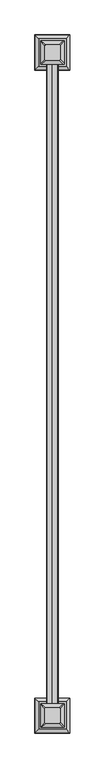
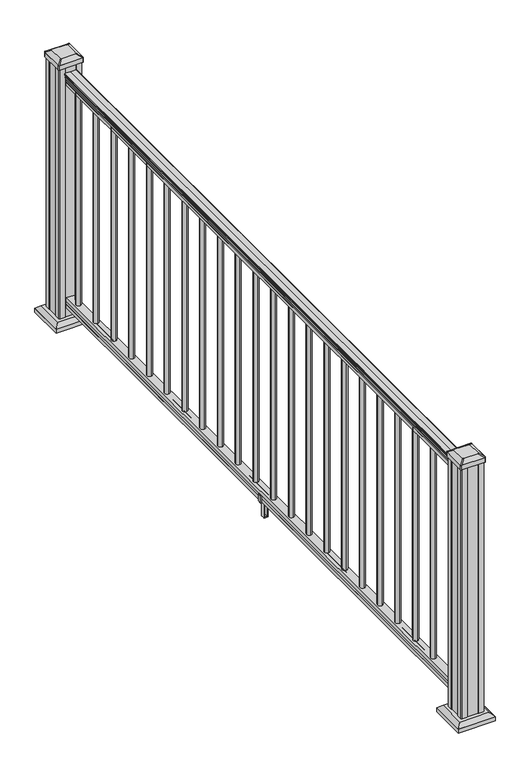
"""IFC4 building model written with IfcOpenShell, lengths in millimetres: railing geometry."""

from ifc_helpers import new_model, si_unit, point, frame, frame_2d, origin, origin_with_axes, place, context, project, spatial, polyline, circle_curve, trimmed, segment, composite_curve, outline, extrude, faceted_brep, source, transform, mapped, element, save
from ifc_brep_helpers import plane_surface, extruded_surface, advanced_brep


def railing_a8d5d606(model_context):
    return source(origin(), model_context, "Body", "SolidModel", [
        extrude(outline(composite_curve([segment(trimmed(circle_curve(frame_2d((938.4043297, 953.2427824)), 1.2869144), [point((938.4043297, 951.9558681))], [point((938.4043297, 954.5296968))], False, "CARTESIAN"), True, "CONTINUOUS"), segment(polyline([(938.4043297, 954.5296968), (927.747013, 954.5296968), (926.731013, 953.5136968), (914.4, 953.5136968), (914.4, 985.2636968), (926.8888283, 985.2636968), (927.9048283, 984.2476968), (938.4043297, 984.2476968)]), True, "CONTINUOUS"), segment(trimmed(circle_curve(frame_2d((938.4043297, 985.5346112)), 1.2869144), [point((938.4043297, 984.2476968))], [point((938.4043297, 986.8215255))], False, "CARTESIAN"), True, "CONTINUOUS"), segment(polyline([(938.4043297, 986.8215255), (940.292412, 986.8215255)]), True, "CONTINUOUS"), segment(trimmed(circle_curve(frame_2d((946.0506383, 980.5067723)), 8.545951), [point((940.292412, 986.8215255))], [point((941.8546695, 987.9517118))], False, "CARTESIAN"), True, "CONTINUOUS"), segment(trimmed(circle_curve(frame_2d((945.4636577, 980.9438352)), 7.882584), [point((941.8546695, 987.9517118))], [point((949.0726458, 987.9517118))], False, "CARTESIAN"), True, "CONTINUOUS"), segment(trimmed(circle_curve(frame_2d((951.3112527, 991.4571594)), 4.1592695), [point((949.0726458, 987.9517118))], [point((951.5060812, 987.3024554))], True, "CARTESIAN"), True, "CONTINUOUS"), segment(trimmed(circle_curve(frame_2d((951.2508864, 992.7444659)), 5.4479907), [point((951.5060812, 987.3024554))], [point((955.8362083, 989.8024554))], True, "CARTESIAN"), True, "CONTINUOUS"), segment(trimmed(circle_curve(frame_2d((955.833395, 991.5113075)), 1.7088543), [point((955.8362083, 989.8024554))], [point((957.5157972, 991.2117979))], True, "CARTESIAN"), True, "CONTINUOUS"), segment(trimmed(circle_curve(frame_2d((958.6205318, 989.8944074)), 1.7192895), [point((957.5157972, 991.2117979))], [point((958.6205318, 991.6136969))], False, "CARTESIAN"), True, "CONTINUOUS"), segment(polyline([(958.6205318, 991.6136969), (959.9608158, 991.6136968)]), True, "CONTINUOUS"), segment(trimmed(circle_curve(frame_2d((959.9608158, 990.0602496)), 1.5534472), [point((959.9608158, 991.6136968))], [point((961.514263, 990.0602496))], False, "CARTESIAN"), True, "CONTINUOUS"), segment(polyline([(961.514263, 990.0602496), (961.514263, 969.3886968), (961.514263, 948.717144)]), True, "CONTINUOUS"), segment(trimmed(circle_curve(frame_2d((959.9608158, 948.717144)), 1.5534472), [point((961.514263, 948.717144))], [point((959.9608158, 947.1636968))], False, "CARTESIAN"), True, "CONTINUOUS"), segment(polyline([(959.9608158, 947.1636968), (958.6205318, 947.1636968)]), True, "CONTINUOUS"), segment(trimmed(circle_curve(frame_2d((958.6205318, 948.8829862)), 1.7192895), [point((958.6205318, 947.1636968))], [point((957.5157972, 947.5655957))], False, "CARTESIAN"), True, "CONTINUOUS"), segment(trimmed(circle_curve(frame_2d((955.833395, 947.2660861)), 1.7088543), [point((957.5157972, 947.5655957))], [point((955.8362083, 948.9749382))], True, "CARTESIAN"), True, "CONTINUOUS"), segment(trimmed(circle_curve(frame_2d((951.2508864, 946.0329277)), 5.4479907), [point((955.8362083, 948.9749382))], [point((951.5060812, 951.4749382))], True, "CARTESIAN"), True, "CONTINUOUS"), segment(trimmed(circle_curve(frame_2d((951.3112527, 947.3202343)), 4.1592695), [point((951.5060812, 951.4749382))], [point((949.0726458, 950.8256818))], True, "CARTESIAN"), True, "CONTINUOUS"), segment(trimmed(circle_curve(frame_2d((945.4636577, 957.8335584)), 7.882584), [point((949.0726458, 950.8256818))], [point((941.8546695, 950.8256818))], False, "CARTESIAN"), True, "CONTINUOUS"), segment(trimmed(circle_curve(frame_2d((946.0506383, 958.2706214)), 8.545951), [point((941.8546695, 950.8256818))], [point((940.292412, 951.9558681))], False, "CARTESIAN"), True, "CONTINUOUS"), segment(polyline([(940.292412, 951.9558681), (938.4043297, 951.9558681)]), True, "CONTINUOUS")], self_intersect=False)), frame((0.0, -16600.8352933, 0.0), z_axis=(0.0, 1.0, 0.0), x_axis=(0.0, 0.0, 1.0)), (0.0, 0.0, 1.0), 2438.4),
        extrude(outline(polyline([(76.0541976, 953.4762099), (63.5, 953.4762099), (63.5, 985.2262099), (76.0375508, 985.2262099), (77.3858283, 984.2102099), (87.6975248, 984.2102099), (89.0458024, 985.2262099), (101.5958781, 985.2262099), (101.5958781, 953.4762099), (89.0624492, 953.4762099), (87.7141717, 954.4922099), (77.3546183, 954.4922099), (76.0541976, 953.4762099)])), frame((0.0, -16600.8352933, 0.0), z_axis=(0.0, 1.0, 0.0), x_axis=(0.0, 0.0, 1.0)), (0.0, 0.0, 1.0), 2438.4),
        extrude(outline(composite_curve([segment(trimmed(circle_curve(frame_2d((969.3886968, -14212.2192933)), 9.525), [point((959.8636968, -14212.2192933))], [point((969.3886968, -14202.6942933))], False, "CARTESIAN"), True, "CONTINUOUS"), segment(trimmed(circle_curve(frame_2d((969.3886968, -14212.2192933)), 9.525), [point((969.3886968, -14202.6942933))], [point((978.9136968, -14212.2192933))], False, "CARTESIAN"), True, "CONTINUOUS"), segment(trimmed(circle_curve(frame_2d((969.3886968, -14212.2192933)), 9.525), [point((978.9136968, -14212.2192933))], [point((969.3886968, -14221.7442933))], False, "CARTESIAN"), True, "CONTINUOUS"), segment(trimmed(circle_curve(frame_2d((969.3886968, -14212.2192933)), 9.525), [point((969.3886968, -14221.7442933))], [point((959.8636968, -14212.2192933))], False, "CARTESIAN"), True, "CONTINUOUS")], self_intersect=False)), frame((0.0, 0.0, 101.5958781), z_axis=(0.0, 0.0, 1.0), x_axis=(1.0, 0.0, 0.0)), (0.0, 0.0, 1.0), 812.8041219),
        extrude(outline(composite_curve([segment(trimmed(circle_curve(frame_2d((969.3886968, -14323.4712933)), 9.525), [point((959.8636968, -14323.4712933))], [point((969.3886968, -14313.9462933))], False, "CARTESIAN"), True, "CONTINUOUS"), segment(trimmed(circle_curve(frame_2d((969.3886968, -14323.4712933)), 9.525), [point((969.3886968, -14313.9462933))], [point((978.9136968, -14323.4712933))], False, "CARTESIAN"), True, "CONTINUOUS"), segment(trimmed(circle_curve(frame_2d((969.3886968, -14323.4712933)), 9.525), [point((978.9136968, -14323.4712933))], [point((969.3886968, -14332.9962933))], False, "CARTESIAN"), True, "CONTINUOUS"), segment(trimmed(circle_curve(frame_2d((969.3886968, -14323.4712933)), 9.525), [point((969.3886968, -14332.9962933))], [point((959.8636968, -14323.4712933))], False, "CARTESIAN"), True, "CONTINUOUS")], self_intersect=False)), frame((0.0, 0.0, 101.5958781), z_axis=(0.0, 0.0, 1.0), x_axis=(1.0, 0.0, 0.0)), (0.0, 0.0, 1.0), 812.8041219),
        extrude(outline(composite_curve([segment(trimmed(circle_curve(frame_2d((969.3886968, -14434.7232933)), 9.525), [point((959.8636968, -14434.7232933))], [point((969.3886968, -14425.1982933))], False, "CARTESIAN"), True, "CONTINUOUS"), segment(trimmed(circle_curve(frame_2d((969.3886968, -14434.7232933)), 9.525), [point((969.3886968, -14425.1982933))], [point((978.9136968, -14434.7232933))], False, "CARTESIAN"), True, "CONTINUOUS"), segment(trimmed(circle_curve(frame_2d((969.3886968, -14434.7232933)), 9.525), [point((978.9136968, -14434.7232933))], [point((969.3886968, -14444.2482933))], False, "CARTESIAN"), True, "CONTINUOUS"), segment(trimmed(circle_curve(frame_2d((969.3886968, -14434.7232933)), 9.525), [point((969.3886968, -14444.2482933))], [point((959.8636968, -14434.7232933))], False, "CARTESIAN"), True, "CONTINUOUS")], self_intersect=False)), frame((0.0, 0.0, 101.5958781), z_axis=(0.0, 0.0, 1.0), x_axis=(1.0, 0.0, 0.0)), (0.0, 0.0, 1.0), 812.8041219),
        extrude(outline(composite_curve([segment(trimmed(circle_curve(frame_2d((969.3886968, -14545.9752933)), 9.525), [point((959.8636968, -14545.9752933))], [point((969.3886968, -14536.4502933))], False, "CARTESIAN"), True, "CONTINUOUS"), segment(trimmed(circle_curve(frame_2d((969.3886968, -14545.9752933)), 9.525), [point((969.3886968, -14536.4502933))], [point((978.9136968, -14545.9752933))], False, "CARTESIAN"), True, "CONTINUOUS"), segment(trimmed(circle_curve(frame_2d((969.3886968, -14545.9752933)), 9.525), [point((978.9136968, -14545.9752933))], [point((969.3886968, -14555.5002933))], False, "CARTESIAN"), True, "CONTINUOUS"), segment(trimmed(circle_curve(frame_2d((969.3886968, -14545.9752933)), 9.525), [point((969.3886968, -14555.5002933))], [point((959.8636968, -14545.9752933))], False, "CARTESIAN"), True, "CONTINUOUS")], self_intersect=False)), frame((0.0, 0.0, 101.5958781), z_axis=(0.0, 0.0, 1.0), x_axis=(1.0, 0.0, 0.0)), (0.0, 0.0, 1.0), 812.8041219),
        extrude(outline(composite_curve([segment(trimmed(circle_curve(frame_2d((969.3886968, -14657.2272933)), 9.525), [point((959.8636968, -14657.2272933))], [point((969.3886968, -14647.7022933))], False, "CARTESIAN"), True, "CONTINUOUS"), segment(trimmed(circle_curve(frame_2d((969.3886968, -14657.2272933)), 9.525), [point((969.3886968, -14647.7022933))], [point((978.9136968, -14657.2272933))], False, "CARTESIAN"), True, "CONTINUOUS"), segment(trimmed(circle_curve(frame_2d((969.3886968, -14657.2272933)), 9.525), [point((978.9136968, -14657.2272933))], [point((969.3886968, -14666.7522933))], False, "CARTESIAN"), True, "CONTINUOUS"), segment(trimmed(circle_curve(frame_2d((969.3886968, -14657.2272933)), 9.525), [point((969.3886968, -14666.7522933))], [point((959.8636968, -14657.2272933))], False, "CARTESIAN"), True, "CONTINUOUS")], self_intersect=False)), frame((0.0, 0.0, 101.5958781), z_axis=(0.0, 0.0, 1.0), x_axis=(1.0, 0.0, 0.0)), (0.0, 0.0, 1.0), 812.8041219),
        extrude(outline(composite_curve([segment(trimmed(circle_curve(frame_2d((969.3886968, -14768.4792933)), 9.525), [point((959.8636968, -14768.4792933))], [point((969.3886968, -14758.9542933))], False, "CARTESIAN"), True, "CONTINUOUS"), segment(trimmed(circle_curve(frame_2d((969.3886968, -14768.4792933)), 9.525), [point((969.3886968, -14758.9542933))], [point((978.9136968, -14768.4792933))], False, "CARTESIAN"), True, "CONTINUOUS"), segment(trimmed(circle_curve(frame_2d((969.3886968, -14768.4792933)), 9.525), [point((978.9136968, -14768.4792933))], [point((969.3886968, -14778.0042933))], False, "CARTESIAN"), True, "CONTINUOUS"), segment(trimmed(circle_curve(frame_2d((969.3886968, -14768.4792933)), 9.525), [point((969.3886968, -14778.0042933))], [point((959.8636968, -14768.4792933))], False, "CARTESIAN"), True, "CONTINUOUS")], self_intersect=False)), frame((0.0, 0.0, 101.5958781), z_axis=(0.0, 0.0, 1.0), x_axis=(1.0, 0.0, 0.0)), (0.0, 0.0, 1.0), 812.8041219),
        extrude(outline(composite_curve([segment(trimmed(circle_curve(frame_2d((969.3886968, -14879.7312933)), 9.525), [point((959.8636968, -14879.7312933))], [point((969.3886968, -14870.2062933))], False, "CARTESIAN"), True, "CONTINUOUS"), segment(trimmed(circle_curve(frame_2d((969.3886968, -14879.7312933)), 9.525), [point((969.3886968, -14870.2062933))], [point((978.9136968, -14879.7312933))], False, "CARTESIAN"), True, "CONTINUOUS"), segment(trimmed(circle_curve(frame_2d((969.3886968, -14879.7312933)), 9.525), [point((978.9136968, -14879.7312933))], [point((969.3886968, -14889.2562933))], False, "CARTESIAN"), True, "CONTINUOUS"), segment(trimmed(circle_curve(frame_2d((969.3886968, -14879.7312933)), 9.525), [point((969.3886968, -14889.2562933))], [point((959.8636968, -14879.7312933))], False, "CARTESIAN"), True, "CONTINUOUS")], self_intersect=False)), frame((0.0, 0.0, 101.5958781), z_axis=(0.0, 0.0, 1.0), x_axis=(1.0, 0.0, 0.0)), (0.0, 0.0, 1.0), 812.8041219),
        extrude(outline(composite_curve([segment(trimmed(circle_curve(frame_2d((969.3886968, -14990.9832933)), 9.525), [point((959.8636968, -14990.9832933))], [point((969.3886968, -14981.4582933))], False, "CARTESIAN"), True, "CONTINUOUS"), segment(trimmed(circle_curve(frame_2d((969.3886968, -14990.9832933)), 9.525), [point((969.3886968, -14981.4582933))], [point((978.9136968, -14990.9832933))], False, "CARTESIAN"), True, "CONTINUOUS"), segment(trimmed(circle_curve(frame_2d((969.3886968, -14990.9832933)), 9.525), [point((978.9136968, -14990.9832933))], [point((969.3886968, -15000.5082933))], False, "CARTESIAN"), True, "CONTINUOUS"), segment(trimmed(circle_curve(frame_2d((969.3886968, -14990.9832933)), 9.525), [point((969.3886968, -15000.5082933))], [point((959.8636968, -14990.9832933))], False, "CARTESIAN"), True, "CONTINUOUS")], self_intersect=False)), frame((0.0, 0.0, 101.5958781), z_axis=(0.0, 0.0, 1.0), x_axis=(1.0, 0.0, 0.0)), (0.0, 0.0, 1.0), 812.8041219),
        extrude(outline(composite_curve([segment(trimmed(circle_curve(frame_2d((969.3886968, -15102.2352933)), 9.525), [point((959.8636968, -15102.2352933))], [point((969.3886968, -15092.7102933))], False, "CARTESIAN"), True, "CONTINUOUS"), segment(trimmed(circle_curve(frame_2d((969.3886968, -15102.2352933)), 9.525), [point((969.3886968, -15092.7102933))], [point((978.9136968, -15102.2352933))], False, "CARTESIAN"), True, "CONTINUOUS"), segment(trimmed(circle_curve(frame_2d((969.3886968, -15102.2352933)), 9.525), [point((978.9136968, -15102.2352933))], [point((969.3886968, -15111.7602933))], False, "CARTESIAN"), True, "CONTINUOUS"), segment(trimmed(circle_curve(frame_2d((969.3886968, -15102.2352933)), 9.525), [point((969.3886968, -15111.7602933))], [point((959.8636968, -15102.2352933))], False, "CARTESIAN"), True, "CONTINUOUS")], self_intersect=False)), frame((0.0, 0.0, 101.5958781), z_axis=(0.0, 0.0, 1.0), x_axis=(1.0, 0.0, 0.0)), (0.0, 0.0, 1.0), 812.8041219),
        extrude(outline(composite_curve([segment(trimmed(circle_curve(frame_2d((969.3886968, -15213.4872933)), 9.525), [point((959.8636968, -15213.4872933))], [point((969.3886968, -15203.9622933))], False, "CARTESIAN"), True, "CONTINUOUS"), segment(trimmed(circle_curve(frame_2d((969.3886968, -15213.4872933)), 9.525), [point((969.3886968, -15203.9622933))], [point((978.9136968, -15213.4872933))], False, "CARTESIAN"), True, "CONTINUOUS"), segment(trimmed(circle_curve(frame_2d((969.3886968, -15213.4872933)), 9.525), [point((978.9136968, -15213.4872933))], [point((969.3886968, -15223.0122933))], False, "CARTESIAN"), True, "CONTINUOUS"), segment(trimmed(circle_curve(frame_2d((969.3886968, -15213.4872933)), 9.525), [point((969.3886968, -15223.0122933))], [point((959.8636968, -15213.4872933))], False, "CARTESIAN"), True, "CONTINUOUS")], self_intersect=False)), frame((0.0, 0.0, 101.5958781), z_axis=(0.0, 0.0, 1.0), x_axis=(1.0, 0.0, 0.0)), (0.0, 0.0, 1.0), 812.8041219),
        extrude(outline(composite_curve([segment(trimmed(circle_curve(frame_2d((969.3886968, -15324.7392933)), 9.525), [point((959.8636968, -15324.7392933))], [point((969.3886968, -15315.2142933))], False, "CARTESIAN"), True, "CONTINUOUS"), segment(trimmed(circle_curve(frame_2d((969.3886968, -15324.7392933)), 9.525), [point((969.3886968, -15315.2142933))], [point((978.9136968, -15324.7392933))], False, "CARTESIAN"), True, "CONTINUOUS"), segment(trimmed(circle_curve(frame_2d((969.3886968, -15324.7392933)), 9.525), [point((978.9136968, -15324.7392933))], [point((969.3886968, -15334.2642933))], False, "CARTESIAN"), True, "CONTINUOUS"), segment(trimmed(circle_curve(frame_2d((969.3886968, -15324.7392933)), 9.525), [point((969.3886968, -15334.2642933))], [point((959.8636968, -15324.7392933))], False, "CARTESIAN"), True, "CONTINUOUS")], self_intersect=False)), frame((0.0, 0.0, 101.5958781), z_axis=(0.0, 0.0, 1.0), x_axis=(1.0, 0.0, 0.0)), (0.0, 0.0, 1.0), 812.8041219),
        extrude(outline(polyline([(88.7203979, 987.5496956), (88.7203979, 985.517696), (87.7043953, 984.5016962), (77.2686081, 984.5016962), (76.2526073, 985.517696), (64.262001, 985.517696), (63.5000019, 984.7556969), (63.5000019, 954.0216957), (64.262001, 953.2596966), (76.2526073, 953.2596966), (77.2686081, 954.2756964), (87.7043953, 954.2756964), (88.7203979, 953.2596966), (88.7203979, 951.227697), (87.9583969, 950.465696), (61.4680023, 950.465696), (60.7060013, 951.227697), (60.7060013, 961.2606961), (59.9440012, 962.0226962), (0.762001, 962.0226962), (0.0, 962.7846972), (0.0, 975.9926964), (0.7620001, 976.7546965), (59.9440012, 976.7546965), (60.7060013, 977.5166966), (60.7060013, 987.5496956), (61.4680023, 988.3116967), (87.9583969, 988.3116967), (88.7203979, 987.5496956)]), holes=[polyline([(60.7060013, 965.9596964), (60.7060013, 972.8176962), (59.9440012, 973.5796963), (3.9370003, 973.5796963), (3.1750031, 972.8176991), (3.1750031, 965.9596964), (3.9370031, 965.1976963), (59.9440012, 965.1976963), (60.7060013, 965.9596964)])]), frame((0.0, -15387.7312933, 0.0), z_axis=(0.0, 1.0, 0.0), x_axis=(0.0, 0.0, 1.0)), (0.0, 0.0, 1.0), 14.732),
        extrude(outline(composite_curve([segment(trimmed(circle_curve(frame_2d((969.3886968, -15435.9912933)), 9.525), [point((959.8636968, -15435.9912933))], [point((969.3886968, -15426.4662933))], False, "CARTESIAN"), True, "CONTINUOUS"), segment(trimmed(circle_curve(frame_2d((969.3886968, -15435.9912933)), 9.525), [point((969.3886968, -15426.4662933))], [point((978.9136968, -15435.9912933))], False, "CARTESIAN"), True, "CONTINUOUS"), segment(trimmed(circle_curve(frame_2d((969.3886968, -15435.9912933)), 9.525), [point((978.9136968, -15435.9912933))], [point((969.3886968, -15445.5162933))], False, "CARTESIAN"), True, "CONTINUOUS"), segment(trimmed(circle_curve(frame_2d((969.3886968, -15435.9912933)), 9.525), [point((969.3886968, -15445.5162933))], [point((959.8636968, -15435.9912933))], False, "CARTESIAN"), True, "CONTINUOUS")], self_intersect=False)), frame((0.0, 0.0, 101.5958781), z_axis=(0.0, 0.0, 1.0), x_axis=(1.0, 0.0, 0.0)), (0.0, 0.0, 1.0), 812.8041219),
        extrude(outline(composite_curve([segment(trimmed(circle_curve(frame_2d((969.3886968, -15547.2432933)), 9.525), [point((959.8636968, -15547.2432933))], [point((969.3886968, -15537.7182933))], False, "CARTESIAN"), True, "CONTINUOUS"), segment(trimmed(circle_curve(frame_2d((969.3886968, -15547.2432933)), 9.525), [point((969.3886968, -15537.7182933))], [point((978.9136968, -15547.2432933))], False, "CARTESIAN"), True, "CONTINUOUS"), segment(trimmed(circle_curve(frame_2d((969.3886968, -15547.2432933)), 9.525), [point((978.9136968, -15547.2432933))], [point((969.3886968, -15556.7682933))], False, "CARTESIAN"), True, "CONTINUOUS"), segment(trimmed(circle_curve(frame_2d((969.3886968, -15547.2432933)), 9.525), [point((969.3886968, -15556.7682933))], [point((959.8636968, -15547.2432933))], False, "CARTESIAN"), True, "CONTINUOUS")], self_intersect=False)), frame((0.0, 0.0, 101.5958781), z_axis=(0.0, 0.0, 1.0), x_axis=(1.0, 0.0, 0.0)), (0.0, 0.0, 1.0), 812.8041219),
        extrude(outline(composite_curve([segment(trimmed(circle_curve(frame_2d((969.3886968, -15658.4952933)), 9.525), [point((959.8636968, -15658.4952933))], [point((969.3886968, -15648.9702933))], False, "CARTESIAN"), True, "CONTINUOUS"), segment(trimmed(circle_curve(frame_2d((969.3886968, -15658.4952933)), 9.525), [point((969.3886968, -15648.9702933))], [point((978.9136968, -15658.4952933))], False, "CARTESIAN"), True, "CONTINUOUS"), segment(trimmed(circle_curve(frame_2d((969.3886968, -15658.4952933)), 9.525), [point((978.9136968, -15658.4952933))], [point((969.3886968, -15668.0202933))], False, "CARTESIAN"), True, "CONTINUOUS"), segment(trimmed(circle_curve(frame_2d((969.3886968, -15658.4952933)), 9.525), [point((969.3886968, -15668.0202933))], [point((959.8636968, -15658.4952933))], False, "CARTESIAN"), True, "CONTINUOUS")], self_intersect=False)), frame((0.0, 0.0, 101.5958781), z_axis=(0.0, 0.0, 1.0), x_axis=(1.0, 0.0, 0.0)), (0.0, 0.0, 1.0), 812.8041219),
        extrude(outline(composite_curve([segment(trimmed(circle_curve(frame_2d((969.3886968, -15769.7472933)), 9.525), [point((959.8636968, -15769.7472933))], [point((969.3886968, -15760.2222933))], False, "CARTESIAN"), True, "CONTINUOUS"), segment(trimmed(circle_curve(frame_2d((969.3886968, -15769.7472933)), 9.525), [point((969.3886968, -15760.2222933))], [point((978.9136968, -15769.7472933))], False, "CARTESIAN"), True, "CONTINUOUS"), segment(trimmed(circle_curve(frame_2d((969.3886968, -15769.7472933)), 9.525), [point((978.9136968, -15769.7472933))], [point((969.3886968, -15779.2722933))], False, "CARTESIAN"), True, "CONTINUOUS"), segment(trimmed(circle_curve(frame_2d((969.3886968, -15769.7472933)), 9.525), [point((969.3886968, -15779.2722933))], [point((959.8636968, -15769.7472933))], False, "CARTESIAN"), True, "CONTINUOUS")], self_intersect=False)), frame((0.0, 0.0, 101.5958781), z_axis=(0.0, 0.0, 1.0), x_axis=(1.0, 0.0, 0.0)), (0.0, 0.0, 1.0), 812.8041219),
        extrude(outline(composite_curve([segment(trimmed(circle_curve(frame_2d((969.3886968, -15880.9992933)), 9.525), [point((959.8636968, -15880.9992933))], [point((969.3886968, -15871.4742933))], False, "CARTESIAN"), True, "CONTINUOUS"), segment(trimmed(circle_curve(frame_2d((969.3886968, -15880.9992933)), 9.525), [point((969.3886968, -15871.4742933))], [point((978.9136968, -15880.9992933))], False, "CARTESIAN"), True, "CONTINUOUS"), segment(trimmed(circle_curve(frame_2d((969.3886968, -15880.9992933)), 9.525), [point((978.9136968, -15880.9992933))], [point((969.3886968, -15890.5242933))], False, "CARTESIAN"), True, "CONTINUOUS"), segment(trimmed(circle_curve(frame_2d((969.3886968, -15880.9992933)), 9.525), [point((969.3886968, -15890.5242933))], [point((959.8636968, -15880.9992933))], False, "CARTESIAN"), True, "CONTINUOUS")], self_intersect=False)), frame((0.0, 0.0, 101.5958781), z_axis=(0.0, 0.0, 1.0), x_axis=(1.0, 0.0, 0.0)), (0.0, 0.0, 1.0), 812.8041219),
        extrude(outline(composite_curve([segment(trimmed(circle_curve(frame_2d((969.3886968, -15992.2512933)), 9.525), [point((959.8636968, -15992.2512933))], [point((969.3886968, -15982.7262933))], False, "CARTESIAN"), True, "CONTINUOUS"), segment(trimmed(circle_curve(frame_2d((969.3886968, -15992.2512933)), 9.525), [point((969.3886968, -15982.7262933))], [point((978.9136968, -15992.2512933))], False, "CARTESIAN"), True, "CONTINUOUS"), segment(trimmed(circle_curve(frame_2d((969.3886968, -15992.2512933)), 9.525), [point((978.9136968, -15992.2512933))], [point((969.3886968, -16001.7762933))], False, "CARTESIAN"), True, "CONTINUOUS"), segment(trimmed(circle_curve(frame_2d((969.3886968, -15992.2512933)), 9.525), [point((969.3886968, -16001.7762933))], [point((959.8636968, -15992.2512933))], False, "CARTESIAN"), True, "CONTINUOUS")], self_intersect=False)), frame((0.0, 0.0, 101.5958781), z_axis=(0.0, 0.0, 1.0), x_axis=(1.0, 0.0, 0.0)), (0.0, 0.0, 1.0), 812.8041219),
        extrude(outline(composite_curve([segment(trimmed(circle_curve(frame_2d((969.3886968, -16103.5032933)), 9.525), [point((959.8636968, -16103.5032933))], [point((969.3886968, -16093.9782933))], False, "CARTESIAN"), True, "CONTINUOUS"), segment(trimmed(circle_curve(frame_2d((969.3886968, -16103.5032933)), 9.525), [point((969.3886968, -16093.9782933))], [point((978.9136968, -16103.5032933))], False, "CARTESIAN"), True, "CONTINUOUS"), segment(trimmed(circle_curve(frame_2d((969.3886968, -16103.5032933)), 9.525), [point((978.9136968, -16103.5032933))], [point((969.3886968, -16113.0282933))], False, "CARTESIAN"), True, "CONTINUOUS"), segment(trimmed(circle_curve(frame_2d((969.3886968, -16103.5032933)), 9.525), [point((969.3886968, -16113.0282933))], [point((959.8636968, -16103.5032933))], False, "CARTESIAN"), True, "CONTINUOUS")], self_intersect=False)), frame((0.0, 0.0, 101.5958781), z_axis=(0.0, 0.0, 1.0), x_axis=(1.0, 0.0, 0.0)), (0.0, 0.0, 1.0), 812.8041219),
        extrude(outline(composite_curve([segment(trimmed(circle_curve(frame_2d((969.3886968, -16214.7552933)), 9.525), [point((959.8636968, -16214.7552933))], [point((969.3886968, -16205.2302933))], False, "CARTESIAN"), True, "CONTINUOUS"), segment(trimmed(circle_curve(frame_2d((969.3886968, -16214.7552933)), 9.525), [point((969.3886968, -16205.2302933))], [point((978.9136968, -16214.7552933))], False, "CARTESIAN"), True, "CONTINUOUS"), segment(trimmed(circle_curve(frame_2d((969.3886968, -16214.7552933)), 9.525), [point((978.9136968, -16214.7552933))], [point((969.3886968, -16224.2802933))], False, "CARTESIAN"), True, "CONTINUOUS"), segment(trimmed(circle_curve(frame_2d((969.3886968, -16214.7552933)), 9.525), [point((969.3886968, -16224.2802933))], [point((959.8636968, -16214.7552933))], False, "CARTESIAN"), True, "CONTINUOUS")], self_intersect=False)), frame((0.0, 0.0, 101.5958781), z_axis=(0.0, 0.0, 1.0), x_axis=(1.0, 0.0, 0.0)), (0.0, 0.0, 1.0), 812.8041219),
        extrude(outline(composite_curve([segment(trimmed(circle_curve(frame_2d((969.3886968, -16326.0072933)), 9.525), [point((959.8636968, -16326.0072933))], [point((969.3886968, -16316.4822933))], False, "CARTESIAN"), True, "CONTINUOUS"), segment(trimmed(circle_curve(frame_2d((969.3886968, -16326.0072933)), 9.525), [point((969.3886968, -16316.4822933))], [point((978.9136968, -16326.0072933))], False, "CARTESIAN"), True, "CONTINUOUS"), segment(trimmed(circle_curve(frame_2d((969.3886968, -16326.0072933)), 9.525), [point((978.9136968, -16326.0072933))], [point((969.3886968, -16335.5322933))], False, "CARTESIAN"), True, "CONTINUOUS"), segment(trimmed(circle_curve(frame_2d((969.3886968, -16326.0072933)), 9.525), [point((969.3886968, -16335.5322933))], [point((959.8636968, -16326.0072933))], False, "CARTESIAN"), True, "CONTINUOUS")], self_intersect=False)), frame((0.0, 0.0, 101.5958781), z_axis=(0.0, 0.0, 1.0), x_axis=(1.0, 0.0, 0.0)), (0.0, 0.0, 1.0), 812.8041219),
        extrude(outline(composite_curve([segment(trimmed(circle_curve(frame_2d((969.3886968, -16437.2592933)), 9.525), [point((959.8636968, -16437.2592933))], [point((969.3886968, -16427.7342933))], False, "CARTESIAN"), True, "CONTINUOUS"), segment(trimmed(circle_curve(frame_2d((969.3886968, -16437.2592933)), 9.525), [point((969.3886968, -16427.7342933))], [point((978.9136968, -16437.2592933))], False, "CARTESIAN"), True, "CONTINUOUS"), segment(trimmed(circle_curve(frame_2d((969.3886968, -16437.2592933)), 9.525), [point((978.9136968, -16437.2592933))], [point((969.3886968, -16446.7842933))], False, "CARTESIAN"), True, "CONTINUOUS"), segment(trimmed(circle_curve(frame_2d((969.3886968, -16437.2592933)), 9.525), [point((969.3886968, -16446.7842933))], [point((959.8636968, -16437.2592933))], False, "CARTESIAN"), True, "CONTINUOUS")], self_intersect=False)), frame((0.0, 0.0, 101.5958781), z_axis=(0.0, 0.0, 1.0), x_axis=(1.0, 0.0, 0.0)), (0.0, 0.0, 1.0), 812.8041219),
        extrude(outline(composite_curve([segment(trimmed(circle_curve(frame_2d((969.3886968, -16548.5112933)), 9.525), [point((959.8636968, -16548.5112933))], [point((969.3886968, -16538.9862933))], False, "CARTESIAN"), True, "CONTINUOUS"), segment(trimmed(circle_curve(frame_2d((969.3886968, -16548.5112933)), 9.525), [point((969.3886968, -16538.9862933))], [point((978.9136968, -16548.5112933))], False, "CARTESIAN"), True, "CONTINUOUS"), segment(trimmed(circle_curve(frame_2d((969.3886968, -16548.5112933)), 9.525), [point((978.9136968, -16548.5112933))], [point((969.3886968, -16558.0362933))], False, "CARTESIAN"), True, "CONTINUOUS"), segment(trimmed(circle_curve(frame_2d((969.3886968, -16548.5112933)), 9.525), [point((969.3886968, -16558.0362933))], [point((959.8636968, -16548.5112933))], False, "CARTESIAN"), True, "CONTINUOUS")], self_intersect=False)), frame((0.0, 0.0, 101.5958781), z_axis=(0.0, 0.0, 1.0), x_axis=(1.0, 0.0, 0.0)), (0.0, 0.0, 1.0), 812.8041219),
        faceted_brep([(916.8027593, -14173.6192308, 28.575), (1021.9746343, -14173.6192308, 28.575), (1021.9746343, -14068.4473558, 28.575), (916.8027593, -14068.4473558, 28.575), (902.7633062, -14187.6586839, 15.24), (902.7633062, -14054.4079026, 15.24), (1036.0140874, -14054.4079026, 15.24), (1036.0140874, -14187.6586839, 15.24)], [[[0, 1, 2, 3]], [[4, 5, 6, 7]], [[4, 7, 1, 0]], [[7, 6, 2, 1]], [[6, 5, 3, 2]], [[5, 4, 0, 3]]]),
        extrude(outline(polyline([(902.7633062, -14187.6586839), (902.7633062, -14054.4079026), (1036.0140874, -14054.4079026), (1036.0140874, -14187.6586839), (902.7633062, -14187.6586839)])), origin_with_axes(), (0.0, 0.0, 1.0), 15.24),
        advanced_brep(
        [(995.1855718, -14150.0051683, 1012.825), (998.3605718, -14146.8301683, 1012.825), (998.3605718, -14095.2364183, 1012.825), (995.1855718, -14092.0614183, 1012.825), (943.5918218, -14092.0614183, 1012.825), (940.4168218, -14095.2364183, 1012.825), (940.4168218, -14146.8301683, 1012.825), (943.5918218, -14150.0051683, 1012.825), (1011.4574468, -14166.2770433, 1001.522), (927.3199468, -14166.2770433, 1001.522), (924.1449468, -14163.1020433, 1001.522), (924.1449468, -14078.9645433, 1001.522), (927.3199468, -14075.7895433, 1001.522), (1011.4574468, -14075.7895433, 1001.522), (1014.6324468, -14078.9645433, 1001.522), (1014.6324468, -14163.1020433, 1001.522)],
        [
            (0, 1, circle_curve(frame((995.1855718, -14146.8301683, 1012.825), z_axis=(0.0, 0.0, 1.0), x_axis=(0.0, 1.0, 0.0)), 3.175)),
            (1, 2),
            (2, 3, circle_curve(frame((995.1855718, -14095.2364183, 1012.825), z_axis=(0.0, 0.0, 1.0), x_axis=(0.0, 1.0, 0.0)), 3.175)),
            (3, 4),
            (4, 5, circle_curve(frame((943.5918218, -14095.2364183, 1012.825), z_axis=(0.0, 0.0, 1.0), x_axis=(0.0, 1.0, 0.0)), 3.175)),
            (5, 6),
            (6, 7, circle_curve(frame((943.5918218, -14146.8301683, 1012.825), z_axis=(0.0, 0.0, 1.0), x_axis=(0.0, 1.0, 0.0)), 3.175)),
            (7, 0),
            (8, 9),
            (9, 10, circle_curve(frame((927.3199468, -14163.1020433, 1001.522), z_axis=(0.0, 0.0, -1.0), x_axis=(0.0, 1.0, 0.0)), 3.175)),
            (10, 11),
            (11, 12, circle_curve(frame((927.3199468, -14078.9645433, 1001.522), z_axis=(0.0, 0.0, -1.0), x_axis=(0.0, 1.0, 0.0)), 3.175)),
            (12, 13),
            (13, 14, circle_curve(frame((1011.4574468, -14078.9645433, 1001.522), z_axis=(0.0, 0.0, -1.0), x_axis=(0.0, 1.0, 0.0)), 3.175)),
            (14, 15),
            (15, 8, circle_curve(frame((1011.4574468, -14163.1020433, 1001.522), z_axis=(0.0, 0.0, -1.0), x_axis=(0.0, 1.0, 0.0)), 3.175)),
            (15, 1),
            (0, 8),
            (14, 2),
            (13, 3),
            (12, 4),
            (11, 5),
            (10, 6),
            (9, 7),
        ],
        [
            plane_surface(frame((969.3886968, -14121.0332933, 1012.825), z_axis=(0.0, 0.0, 1.0), x_axis=(1.0, 0.0, 0.0))),
            plane_surface(frame((969.3886968, -14121.0332933, 1001.522), z_axis=(0.0, 0.0, -1.0), x_axis=(1.0, 0.0, 0.0))),
            extruded_surface(trimmed(circle_curve(frame((1011.4574468, -14163.1020433, 1001.522), z_axis=(0.0, 0.0, 1.0), x_axis=(0.0, 1.0, 0.0)), 3.175), [point((1011.4574468, -14166.2770433, 1001.522))], [point((1014.6324468, -14163.1020433, 1001.522))], True, "CARTESIAN"), (-16.27187499999991, 16.271874999998545, 11.302999999999997), 25.63797263886518),
            plane_surface(frame((1014.6324468, -14121.0332933, 1001.522), z_axis=(0.5705009161540779, 0.0, 0.8212969649690408), x_axis=(0.0, 1.0, 0.0))),
            extruded_surface(trimmed(circle_curve(frame((1011.4574468, -14078.9645433, 1001.522), z_axis=(0.0, 0.0, 1.0), x_axis=(0.0, 1.0, 0.0)), 3.175), [point((1014.6324468, -14078.9645433, 1001.522))], [point((1011.4574468, -14075.7895433, 1001.522))], True, "CARTESIAN"), (-16.27187499999991, -16.271875000000364, 11.302999999999997), 25.637972638866334),
            plane_surface(frame((969.3886968, -14075.7895433, 1001.522), z_axis=(0.0, 0.5705009161540291, 0.8212969649690747), x_axis=(-1.0, 0.0, 0.0))),
            extruded_surface(trimmed(circle_curve(frame((927.3199468, -14078.9645433, 1001.522), z_axis=(0.0, 0.0, 1.0), x_axis=(0.0, 1.0, 0.0)), 3.175), [point((927.3199468, -14075.7895433, 1001.522))], [point((924.1449468, -14078.9645433, 1001.522))], True, "CARTESIAN"), (16.271875000000023, -16.271875000000364, 11.302999999999997), 25.637972638866405),
            plane_surface(frame((924.1449468, -14121.0332933, 1001.522), z_axis=(-0.5705009161540141, 0.0, 0.8212969649690851), x_axis=(0.0, -1.0, 0.0))),
            extruded_surface(trimmed(circle_curve(frame((927.3199468, -14163.1020433, 1001.522), z_axis=(0.0, 0.0, 1.0), x_axis=(0.0, 1.0, 0.0)), 3.175), [point((924.1449468, -14163.1020433, 1001.522))], [point((927.3199468, -14166.2770433, 1001.522))], True, "CARTESIAN"), (16.271875000000023, 16.271874999998545, 11.302999999999997), 25.637972638865254),
            plane_surface(frame((969.3886968, -14166.2770433, 1001.522), z_axis=(0.0, -0.570500916154034, 0.8212969649690713), x_axis=(1.0, 0.0, 0.0))),
        ],
        [
            (0, [[1, 2, 3, 4, 5, 6, 7, 8]]),
            (1, [[9, 10, 11, 12, 13, 14, 15, 16]]),
            (2, [[-16, 17, -1, 18]]),
            (3, [[-15, 19, -2, -17]]),
            (4, [[-14, 20, -3, -19]]),
            (5, [[-13, 21, -4, -20]]),
            (6, [[-12, 22, -5, -21]]),
            (7, [[-11, 23, -6, -22]]),
            (8, [[-10, 24, -7, -23]]),
            (9, [[-9, -18, -8, -24]]),
        ],
    ),
        extrude(outline(composite_curve([segment(polyline([(1011.4574468, -14166.2770433), (927.3199468, -14166.2770433)]), True, "CONTINUOUS"), segment(trimmed(circle_curve(frame_2d((927.3199468, -14163.1020433)), 3.175), [point((927.3199468, -14166.2770433))], [point((924.1449468, -14163.1020433))], False, "CARTESIAN"), True, "CONTINUOUS"), segment(polyline([(924.1449468, -14163.1020433), (924.1449468, -14078.9645433)]), True, "CONTINUOUS"), segment(trimmed(circle_curve(frame_2d((927.3199468, -14078.9645433)), 3.175), [point((924.1449468, -14078.9645433))], [point((927.3199468, -14075.7895433))], False, "CARTESIAN"), True, "CONTINUOUS"), segment(polyline([(927.3199468, -14075.7895433), (1011.4574468, -14075.7895433)]), True, "CONTINUOUS"), segment(trimmed(circle_curve(frame_2d((1011.4574468, -14078.9645433)), 3.175), [point((1011.4574468, -14075.7895433))], [point((1014.6324468, -14078.9645433))], False, "CARTESIAN"), True, "CONTINUOUS"), segment(polyline([(1014.6324468, -14078.9645433), (1014.6324468, -14163.1020433)]), True, "CONTINUOUS"), segment(trimmed(circle_curve(frame_2d((1011.4574468, -14163.1020433)), 3.175), [point((1014.6324468, -14163.1020433))], [point((1011.4574468, -14166.2770433))], False, "CARTESIAN"), True, "CONTINUOUS")], self_intersect=False)), frame((0.0, 0.0, 984.25), z_axis=(0.0, 0.0, 1.0), x_axis=(1.0, 0.0, 0.0)), (0.0, 0.0, 1.0), 17.272),
        extrude(outline(polyline([(1009.0761968, -14162.3082933), (989.4546968, -14162.3082933), (988.6926968, -14160.7207933), (950.0846968, -14160.7207933), (949.3226968, -14162.3082933), (929.7011968, -14162.3082933), (928.1136968, -14160.7207933), (928.1136968, -14141.0992933), (929.7011968, -14140.3372933), (929.7011968, -14101.7292933), (928.1136968, -14100.9672933), (928.1136968, -14081.3457933), (929.7011968, -14079.7582933), (949.3226968, -14079.7582933), (950.0846968, -14081.3457933), (988.6926968, -14081.3457933), (989.4546968, -14079.7582933), (1009.0761968, -14079.7582933), (1010.6636968, -14081.3457933), (1010.6636968, -14100.9672933), (1009.0761968, -14101.7292933), (1009.0761968, -14140.3372933), (1010.6636968, -14141.0992933), (1010.6636968, -14160.7207933), (1009.0761968, -14162.3082933)])), origin_with_axes(), (0.0, 0.0, 1.0), 984.25),
        faceted_brep([(916.8027593, -16694.8232308, 28.575), (1021.9746343, -16694.8232308, 28.575), (1021.9746343, -16589.6513558, 28.575), (916.8027593, -16589.6513558, 28.575), (902.7633062, -16708.8626839, 15.24), (902.7633062, -16575.6119026, 15.24), (1036.0140874, -16575.6119026, 15.24), (1036.0140874, -16708.8626839, 15.24)], [[[0, 1, 2, 3]], [[4, 5, 6, 7]], [[4, 7, 1, 0]], [[7, 6, 2, 1]], [[6, 5, 3, 2]], [[5, 4, 0, 3]]]),
        extrude(outline(polyline([(902.7633062, -16708.8626839), (902.7633062, -16575.6119026), (1036.0140874, -16575.6119026), (1036.0140874, -16708.8626839), (902.7633062, -16708.8626839)])), origin_with_axes(), (0.0, 0.0, 1.0), 15.24),
        advanced_brep(
        [(995.1855718, -16671.2091683, 1012.825), (998.3605718, -16668.0341683, 1012.825), (998.3605718, -16616.4404183, 1012.825), (995.1855718, -16613.2654183, 1012.825), (943.5918218, -16613.2654183, 1012.825), (940.4168218, -16616.4404183, 1012.825), (940.4168218, -16668.0341683, 1012.825), (943.5918218, -16671.2091683, 1012.825), (1011.4574468, -16687.4810433, 1001.522), (927.3199468, -16687.4810433, 1001.522), (924.1449468, -16684.3060433, 1001.522), (924.1449468, -16600.1685433, 1001.522), (927.3199468, -16596.9935433, 1001.522), (1011.4574468, -16596.9935433, 1001.522), (1014.6324468, -16600.1685433, 1001.522), (1014.6324468, -16684.3060433, 1001.522)],
        [
            (0, 1, circle_curve(frame((995.1855718, -16668.0341683, 1012.825), z_axis=(0.0, 0.0, 1.0), x_axis=(0.0, 1.0, 0.0)), 3.175)),
            (1, 2),
            (2, 3, circle_curve(frame((995.1855718, -16616.4404183, 1012.825), z_axis=(0.0, 0.0, 1.0), x_axis=(0.0, 1.0, 0.0)), 3.175)),
            (3, 4),
            (4, 5, circle_curve(frame((943.5918218, -16616.4404183, 1012.825), z_axis=(0.0, 0.0, 1.0), x_axis=(0.0, 1.0, 0.0)), 3.175)),
            (5, 6),
            (6, 7, circle_curve(frame((943.5918218, -16668.0341683, 1012.825), z_axis=(0.0, 0.0, 1.0), x_axis=(0.0, 1.0, 0.0)), 3.175)),
            (7, 0),
            (8, 9),
            (9, 10, circle_curve(frame((927.3199468, -16684.3060433, 1001.522), z_axis=(0.0, 0.0, -1.0), x_axis=(0.0, 1.0, 0.0)), 3.175)),
            (10, 11),
            (11, 12, circle_curve(frame((927.3199468, -16600.1685433, 1001.522), z_axis=(0.0, 0.0, -1.0), x_axis=(0.0, 1.0, 0.0)), 3.175)),
            (12, 13),
            (13, 14, circle_curve(frame((1011.4574468, -16600.1685433, 1001.522), z_axis=(0.0, 0.0, -1.0), x_axis=(0.0, 1.0, 0.0)), 3.175)),
            (14, 15),
            (15, 8, circle_curve(frame((1011.4574468, -16684.3060433, 1001.522), z_axis=(0.0, 0.0, -1.0), x_axis=(0.0, 1.0, 0.0)), 3.175)),
            (15, 1),
            (0, 8),
            (14, 2),
            (13, 3),
            (12, 4),
            (11, 5),
            (10, 6),
            (9, 7),
        ],
        [
            plane_surface(frame((969.3886968, -16642.2372933, 1012.825), z_axis=(0.0, 0.0, 1.0), x_axis=(1.0, 0.0, 0.0))),
            plane_surface(frame((969.3886968, -16642.2372933, 1001.522), z_axis=(0.0, 0.0, -1.0), x_axis=(1.0, 0.0, 0.0))),
            extruded_surface(trimmed(circle_curve(frame((1011.4574468, -16684.3060433, 1001.522), z_axis=(0.0, 0.0, 1.0), x_axis=(0.0, 1.0, 0.0)), 3.175), [point((1011.4574468, -16687.4810433, 1001.522))], [point((1014.6324468, -16684.3060433, 1001.522))], True, "CARTESIAN"), (-16.27187499999991, 16.271874999998545, 11.302999999999997), 25.63797263886518),
            plane_surface(frame((1014.6324468, -16642.2372933, 1001.522), z_axis=(0.5705009161540779, 0.0, 0.8212969649690408), x_axis=(0.0, 1.0, 0.0))),
            extruded_surface(trimmed(circle_curve(frame((1011.4574468, -16600.1685433, 1001.522), z_axis=(0.0, 0.0, 1.0), x_axis=(0.0, 1.0, 0.0)), 3.175), [point((1014.6324468, -16600.1685433, 1001.522))], [point((1011.4574468, -16596.9935433, 1001.522))], True, "CARTESIAN"), (-16.27187499999991, -16.271875000002183, 11.302999999999997), 25.63797263886749),
            plane_surface(frame((969.3886968, -16596.9935433, 1001.522), z_axis=(0.0, 0.5705009161540291, 0.8212969649690747), x_axis=(-1.0, 0.0, 0.0))),
            extruded_surface(trimmed(circle_curve(frame((927.3199468, -16600.1685433, 1001.522), z_axis=(0.0, 0.0, 1.0), x_axis=(0.0, 1.0, 0.0)), 3.175), [point((927.3199468, -16596.9935433, 1001.522))], [point((924.1449468, -16600.1685433, 1001.522))], True, "CARTESIAN"), (16.271875000000023, -16.271875000002183, 11.302999999999997), 25.63797263886756),
            plane_surface(frame((924.1449468, -16642.2372933, 1001.522), z_axis=(-0.5705009161540141, 0.0, 0.8212969649690851), x_axis=(0.0, -1.0, 0.0))),
            extruded_surface(trimmed(circle_curve(frame((927.3199468, -16684.3060433, 1001.522), z_axis=(0.0, 0.0, 1.0), x_axis=(0.0, 1.0, 0.0)), 3.175), [point((924.1449468, -16684.3060433, 1001.522))], [point((927.3199468, -16687.4810433, 1001.522))], True, "CARTESIAN"), (16.271875000000023, 16.271874999998545, 11.302999999999997), 25.637972638865254),
            plane_surface(frame((969.3886968, -16687.4810433, 1001.522), z_axis=(0.0, -0.570500916154034, 0.8212969649690713), x_axis=(1.0, 0.0, 0.0))),
        ],
        [
            (0, [[1, 2, 3, 4, 5, 6, 7, 8]]),
            (1, [[9, 10, 11, 12, 13, 14, 15, 16]]),
            (2, [[-16, 17, -1, 18]]),
            (3, [[-15, 19, -2, -17]]),
            (4, [[-14, 20, -3, -19]]),
            (5, [[-13, 21, -4, -20]]),
            (6, [[-12, 22, -5, -21]]),
            (7, [[-11, 23, -6, -22]]),
            (8, [[-10, 24, -7, -23]]),
            (9, [[-9, -18, -8, -24]]),
        ],
    ),
        extrude(outline(composite_curve([segment(polyline([(1011.4574468, -16687.4810433), (927.3199468, -16687.4810433)]), True, "CONTINUOUS"), segment(trimmed(circle_curve(frame_2d((927.3199468, -16684.3060433)), 3.175), [point((927.3199468, -16687.4810433))], [point((924.1449468, -16684.3060433))], False, "CARTESIAN"), True, "CONTINUOUS"), segment(polyline([(924.1449468, -16684.3060433), (924.1449468, -16600.1685433)]), True, "CONTINUOUS"), segment(trimmed(circle_curve(frame_2d((927.3199468, -16600.1685433)), 3.175), [point((924.1449468, -16600.1685433))], [point((927.3199468, -16596.9935433))], False, "CARTESIAN"), True, "CONTINUOUS"), segment(polyline([(927.3199468, -16596.9935433), (1011.4574468, -16596.9935433)]), True, "CONTINUOUS"), segment(trimmed(circle_curve(frame_2d((1011.4574468, -16600.1685433)), 3.175), [point((1011.4574468, -16596.9935433))], [point((1014.6324468, -16600.1685433))], False, "CARTESIAN"), True, "CONTINUOUS"), segment(polyline([(1014.6324468, -16600.1685433), (1014.6324468, -16684.3060433)]), True, "CONTINUOUS"), segment(trimmed(circle_curve(frame_2d((1011.4574468, -16684.3060433)), 3.175), [point((1014.6324468, -16684.3060433))], [point((1011.4574468, -16687.4810433))], False, "CARTESIAN"), True, "CONTINUOUS")], self_intersect=False)), frame((0.0, 0.0, 984.25), z_axis=(0.0, 0.0, 1.0), x_axis=(1.0, 0.0, 0.0)), (0.0, 0.0, 1.0), 17.272),
        extrude(outline(polyline([(1009.0761968, -16683.5122933), (989.4546968, -16683.5122933), (988.6926968, -16681.9247933), (950.0846968, -16681.9247933), (949.3226968, -16683.5122933), (929.7011968, -16683.5122933), (928.1136968, -16681.9247933), (928.1136968, -16662.3032933), (929.7011968, -16661.5412933), (929.7011968, -16622.9332933), (928.1136968, -16622.1712933), (928.1136968, -16602.5497933), (929.7011968, -16600.9622933), (949.3226968, -16600.9622933), (950.0846968, -16602.5497933), (988.6926968, -16602.5497933), (989.4546968, -16600.9622933), (1009.0761968, -16600.9622933), (1010.6636968, -16602.5497933), (1010.6636968, -16622.1712933), (1009.0761968, -16622.9332933), (1009.0761968, -16661.5412933), (1010.6636968, -16662.3032933), (1010.6636968, -16681.9247933), (1009.0761968, -16683.5122933)])), origin_with_axes(), (0.0, 0.0, 1.0), 984.25),
    ])


if __name__ == "__main__":
    model = new_model("IFC4")
    model_context = context("Model", 3, world=origin())
    ifc_project = project(units=[si_unit("LENGTHUNIT", "METRE", prefix="MILLI")], contexts=[model_context])
    site = spatial("IfcSite", under=ifc_project)
    building = spatial("IfcBuilding", under=site)
    placement = place(None, origin())
    railing_shape = railing_a8d5d606(model_context)
    element("IfcRailing", 1, at=placement, inside=building, context=model_context, shape_type="MappedRepresentation", body=[
        mapped(railing_shape, transform((0.0, 0.0, 0.0), x_axis=(1.0, 0.0, 0.0), y_axis=(0.0, 1.0, 0.0), z_axis=(0.0, 0.0, 1.0))),
    ])
    save(model, "model.ifc")
